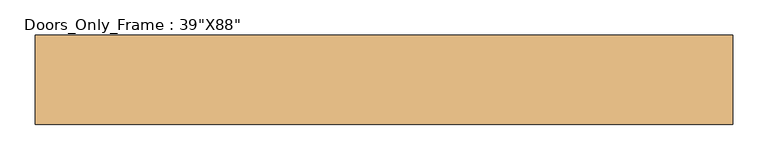
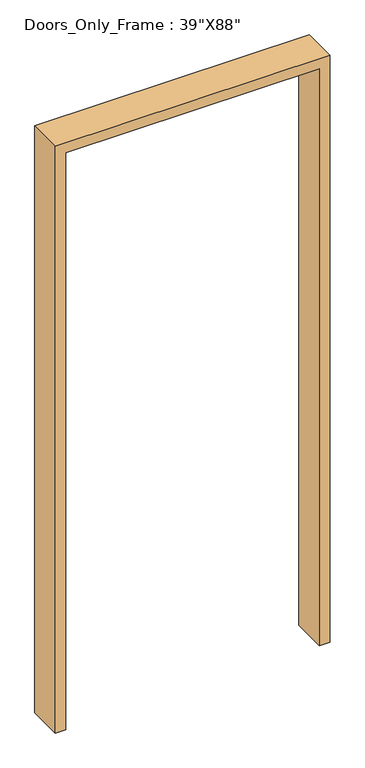
"""IFC4 building model written with IfcOpenShell, lengths in millimetres: door geometry."""

from ifc_helpers import new_model, si_unit, frame, origin, place, context, project, spatial, polyline, outline, extrude, source, transform, mapped, element, save


def door_b5866de0(model_context):
    return source(origin(), model_context, "Body", "SweptSolid", [
        extrude(outline(polyline([(0.0, 457.2), (0.0, 495.3), (2235.2, 495.3), (2235.2, -495.3), (0.0, -495.3), (0.0, -457.2), (2197.1, -457.2), (2197.1, 457.2), (0.0, 457.2)])), frame((0.0, -63.5, 0.0), z_axis=(0.0, 1.0, 0.0), x_axis=(0.0, 0.0, 1.0)), (0.0, 0.0, 1.0), 127.0),
    ])


if __name__ == "__main__":
    model = new_model("IFC4")
    model_context = context("Model", 3, world=origin())
    ifc_project = project(units=[si_unit("LENGTHUNIT", "METRE", prefix="MILLI")], contexts=[model_context])
    site = spatial("IfcSite", under=ifc_project)
    building = spatial("IfcBuilding", under=site)
    placement = place(None, origin())
    door_shape = door_b5866de0(model_context)
    element("IfcDoor", 1, ObjectType="Doors_Only_Frame : 39\"X88\"", at=placement, inside=building, context=model_context, shape_type="MappedRepresentation", body=[
        mapped(door_shape, transform((0.0, 0.0, 0.0), x_axis=(1.0, 0.0, 0.0), y_axis=(0.0, 1.0, 0.0), z_axis=(0.0, 0.0, 1.0))),
    ])
    save(model, "model.ifc")
